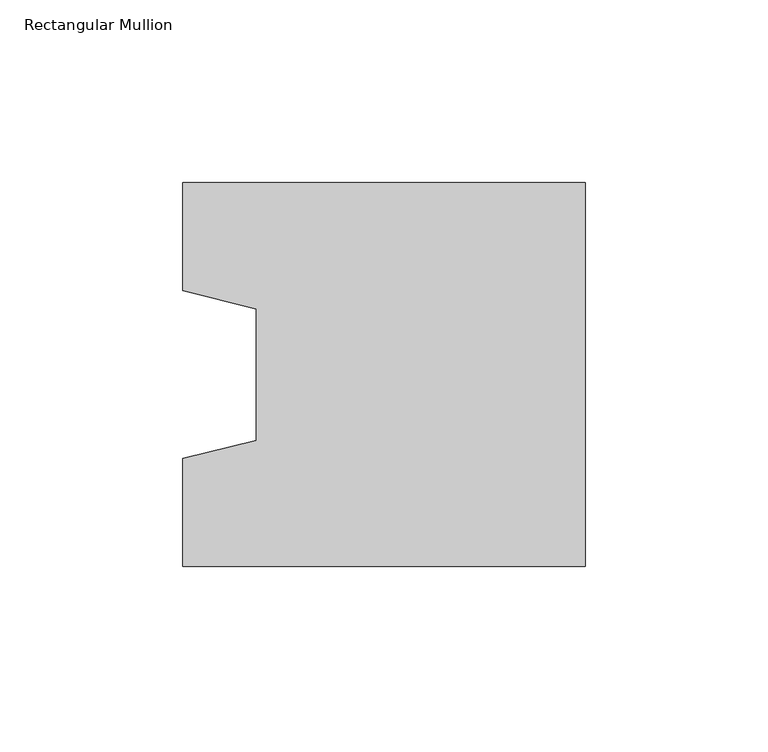
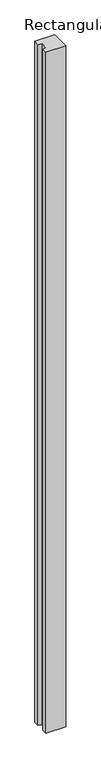
"""IFC4 building model written with IfcOpenShell, lengths in millimetres: column geometry, Rectangular Mullion."""

from ifc_helpers import new_model, si_unit, frame, origin, place, context, project, spatial, polyline, outline, extrude, source, transform, mapped, element, save


def rectangular_mullion_c7dfb925(model_context):
    return source(origin(), model_context, "Body", "SweptSolid", [
        extrude(outline(polyline([(-110.0, -52.5), (-110.0, -23.0), (-90.0, -18.0), (-90.0, 18.0), (-110.0, 23.0), (-110.0, 52.5), (0.0, 52.5), (0.0, -52.5), (-110.0, -52.5)])), frame((0.0, 0.0, -4000.0), z_axis=(0.0, 0.0, 1.0), x_axis=(1.0, 0.0, 0.0)), (0.0, 0.0, 1.0), 4000.0),
    ])


if __name__ == "__main__":
    model = new_model("IFC4")
    model_context = context("Model", 3, world=origin())
    ifc_project = project(units=[si_unit("LENGTHUNIT", "METRE", prefix="MILLI")], contexts=[model_context])
    site = spatial("IfcSite", under=ifc_project)
    building = spatial("IfcBuilding", under=site)
    placement = place(None, origin())
    rectangular_mullion_shape = rectangular_mullion_c7dfb925(model_context)
    element("IfcColumn", 1, ObjectType="Rectangular Mullion", at=placement, inside=building, context=model_context, shape_type="MappedRepresentation", body=[
        mapped(rectangular_mullion_shape, transform((0.0, 0.0, 0.0), x_axis=(1.0, 0.0, 0.0), y_axis=(0.0, 1.0, 0.0), z_axis=(0.0, 0.0, 1.0))),
    ])
    save(model, "model.ifc")
